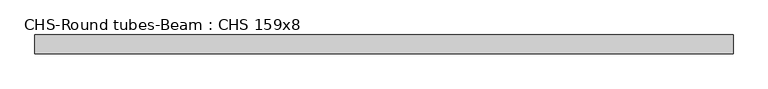
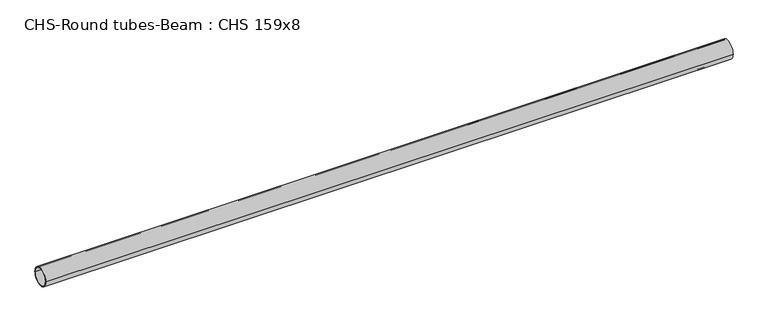
"""IFC4 building model written with IfcOpenShell, lengths in millimetres: beam geometry, CHS-Round tubes-Beam : CHS 159x8."""

from ifc_helpers import new_model, si_unit, point, frame, origin, origin_2d, place, context, project, spatial, circle_curve, trimmed, segment, composite_curve, outline, extrude, source, transform, mapped, element, save


def chs_round_tubes_beam_chs_159x8_7d4faf63(model_context):
    return source(origin(), model_context, "Body", "SweptSolid", [
        extrude(outline(composite_curve([segment(trimmed(circle_curve(origin_2d(), 79.5), [point((79.5, 0.0))], [point((-79.5, 0.0))], False, "CARTESIAN"), True, "CONTINUOUS"), segment(trimmed(circle_curve(origin_2d(), 79.5), [point((-79.5, 0.0))], [point((79.5, 0.0))], False, "CARTESIAN"), True, "CONTINUOUS")], self_intersect=False), holes=[composite_curve([segment(trimmed(circle_curve(origin_2d(), 71.5), [point((71.5, 0.0))], [point((-71.5, 0.0))], True, "CARTESIAN"), True, "CONTINUOUS"), segment(trimmed(circle_curve(origin_2d(), 71.5), [point((-71.5, 0.0))], [point((71.5, 0.0))], True, "CARTESIAN"), True, "CONTINUOUS")], self_intersect=False)]), frame((-2943.9959932, 0.0, 0.0), z_axis=(1.0, 0.0, 0.0), x_axis=(0.0, 1.0, 0.0)), (0.0, 0.0, 1.0), 5887.9912285),
    ])


if __name__ == "__main__":
    model = new_model("IFC4")
    model_context = context("Model", 3, world=origin())
    ifc_project = project(units=[si_unit("LENGTHUNIT", "METRE", prefix="MILLI")], contexts=[model_context])
    site = spatial("IfcSite", under=ifc_project)
    building = spatial("IfcBuilding", under=site)
    placement = place(None, origin())
    chs_round_tubes_beam_chs_159x8_shape = chs_round_tubes_beam_chs_159x8_7d4faf63(model_context)
    element("IfcBeam", 1, ObjectType="CHS-Round tubes-Beam : CHS 159x8", at=placement, inside=building, context=model_context, shape_type="MappedRepresentation", body=[
        mapped(chs_round_tubes_beam_chs_159x8_shape, transform((0.0, 0.0, 0.0), x_axis=(1.0, 0.0, 0.0), y_axis=(0.0, 1.0, 0.0), z_axis=(0.0, 0.0, 1.0))),
    ])
    save(model, "model.ifc")
